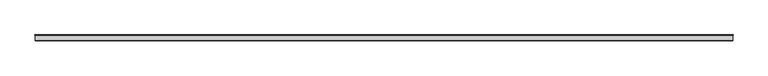
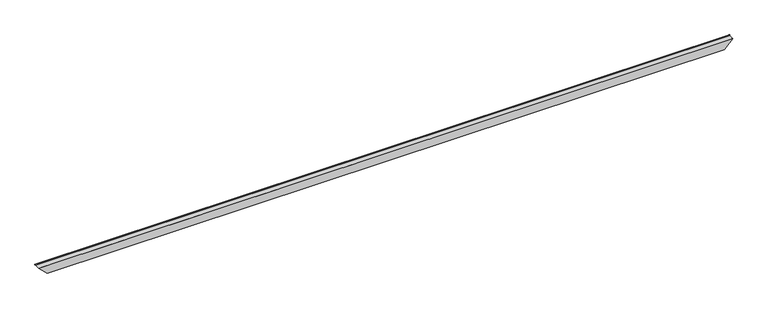
"""IFC4 building model written with IfcOpenShell, lengths in millimetres: proxy geometry."""

from ifc_helpers import new_model, si_unit, frame, origin, place, context, project, spatial, polyline, ellipse_curve, faceted_brep, source, transform, mapped, element, save
from ifc_brep_helpers import plane_surface, cylinder_surface, revolved_surface, advanced_brep


def specialty_equipment_1b77890a(model_context):
    return source(origin(), model_context, "Body", "SolidModel", [
        advanced_brep(
        [(12926.6991105, 84.2845729, 38.6991105), (12927.1343073, 83.3664989, 39.1343073), (-39.1343073, 83.3664989, 39.1343073), (-38.6991105, 84.2845729, 38.6991105), (12934.1314568, 86.6833746, 46.1314568), (-46.1314568, 86.6833746, 46.1314568), (12935.1962023, 84.8585816, 47.1962023), (-47.1962023, 84.8585816, 47.1962023), (12927.6706822, 77.3330614, 39.6706822), (-39.6706822, 77.3330614, 39.6706822), (12927.6706822, 0.508, 39.6706822), (-39.6706822, 0.508, 39.6706822), (12927.1626822, 0.0, 39.1626822), (-39.1626822, 0.0, 39.1626822), (12770.0062858, 0.0, -117.9937142), (117.9937142, 0.0, -117.9937142), (12770.0062858, 77.6452525, -117.9937142), (117.9937142, 77.6452525, -117.9937142), (12762.702363, 84.9491753, -125.297637), (125.297637, 84.9491753, -125.297637), (12764.4980144, 86.4483719, -123.5019856), (123.5019856, 86.4483719, -123.5019856), (12769.2287, 84.7304835, -118.7713), (118.7713, 84.7304835, -118.7713), (12769.57549, 85.6854666, -118.42451), (118.42451, 85.6854666, -118.42451), (12764.8674586, 87.3951284, -123.1325414), (123.1325414, 87.3951284, -123.1325414), (12761.8081526, 84.4065446, -126.1918474), (126.1918474, 84.4065446, -126.1918474), (12768.9902858, 77.2244115, -119.0097142), (119.0097142, 77.2244115, -119.0097142), (12768.9902858, -25.5276818, -119.0097142), (119.0097142, -25.5276818, -119.0097142), (12927.6706822, -25.5276818, 39.6706822), (-39.6706822, -25.5276818, 39.6706822), (12928.6866822, -24.5116818, 40.6866822), (-40.6866822, -24.5116818, 40.6866822), (12928.6866822, 76.9122205, 40.6866822), (-40.6866822, 76.9122205, 40.6866822), (12935.9893811, 84.2236616, 47.9893811), (-47.9893811, 84.2236616, 47.9893811), (12933.9689732, 87.6862978, 45.9689732), (-45.9689732, 87.6862978, 45.9689732)],
        [
            (0, 1),
            (1, 2),
            (2, 3),
            (3, 0),
            (1, 4),
            (4, 5),
            (5, 2),
            (4, 6, ellipse_curve(frame((12934.312487, 85.5659738, 46.312487), z_axis=(0.7071067811865507, 0.0, -0.7071067811865445), x_axis=(0.7071067811865442, 0.0, 0.7071067811865507)), 1.6008476, 1.1319702)),
            (6, 7),
            (7, 5, ellipse_curve(frame((-46.312487, 85.5659738, 46.312487), z_axis=(-0.7071067811865492, 0.0, -0.7071067811865458), x_axis=(0.7071067811865458, 0.0, -0.7071067811865492)), 1.6008476, 1.1319702)),
            (6, 8),
            (8, 9),
            (9, 7),
            (8, 10),
            (10, 11),
            (11, 9),
            (10, 12, ellipse_curve(frame((12927.1626822, 0.508, 39.1626822), z_axis=(0.7071067811865507, 0.0, -0.7071067811865445), x_axis=(0.7071067811865442, 0.0, 0.7071067811865507)), 0.7184205, 0.508)),
            (12, 13),
            (13, 11, ellipse_curve(frame((-39.1626822, 0.508, 39.1626822), z_axis=(-0.7071067811865492, 0.0, -0.7071067811865458), x_axis=(0.7071067811865458, 0.0, -0.7071067811865492)), 0.7184205, 0.508)),
            (12, 14),
            (14, 15),
            (15, 13),
            (14, 16),
            (16, 17),
            (17, 15),
            (16, 18),
            (18, 19),
            (19, 17),
            (18, 20, ellipse_curve(frame((12763.9823685, 85.2410207, -124.0176315), z_axis=(0.7071067811865507, 0.0, -0.7071067811865445), x_axis=(0.7071067811865442, 0.0, 0.7071067811865507)), 1.8566571, 1.3128548)),
            (20, 21),
            (21, 19, ellipse_curve(frame((124.0176315, 85.2410207, -124.0176315), z_axis=(-0.7071067811865492, 0.0, -0.7071067811865458), x_axis=(0.7071067811865458, 0.0, -0.7071067811865492)), 1.8566571, 1.3128548)),
            (20, 22),
            (22, 23),
            (23, 21),
            (22, 24),
            (24, 25),
            (25, 23),
            (24, 26),
            (26, 27),
            (27, 25),
            (26, 28, ellipse_curve(frame((12763.9823685, 85.2410207, -124.0176315), z_axis=(-0.7071067811865507, 0.0, 0.7071067811865445), x_axis=(-0.7071067811865442, 0.0, -0.7071067811865507)), 3.2934981, 2.3288548)),
            (28, 29),
            (29, 27, ellipse_curve(frame((124.0176315, 85.2410207, -124.0176315), z_axis=(0.7071067811865492, 0.0, 0.7071067811865458), x_axis=(-0.7071067811865458, 0.0, 0.7071067811865492)), 3.2934981, 2.3288548)),
            (28, 30),
            (30, 31),
            (31, 29),
            (30, 32),
            (32, 33),
            (33, 31),
            (32, 34),
            (34, 35),
            (35, 33),
            (34, 36, ellipse_curve(frame((12927.6706822, -24.5116818, 39.6706822), z_axis=(-0.7071067811865507, 0.0, 0.7071067811865445), x_axis=(-0.7071067811865442, 0.0, -0.7071067811865507)), 1.436841, 1.016)),
            (36, 37),
            (37, 35, ellipse_curve(frame((-39.6706822, -24.5116818, 39.6706822), z_axis=(0.7071067811865492, 0.0, 0.7071067811865458), x_axis=(-0.7071067811865458, 0.0, 0.7071067811865492)), 1.436841, 1.016)),
            (36, 38),
            (38, 39),
            (39, 37),
            (38, 40),
            (40, 41),
            (41, 39),
            (40, 42, ellipse_curve(frame((12934.312487, 85.5659738, 46.312487), z_axis=(-0.7071067811865507, 0.0, 0.7071067811865445), x_axis=(-0.7071067811865442, 0.0, -0.7071067811865507)), 3.0376885, 2.1479702)),
            (42, 43),
            (43, 41, ellipse_curve(frame((-46.312487, 85.5659738, 46.312487), z_axis=(0.7071067811865492, 0.0, 0.7071067811865458), x_axis=(-0.7071067811865458, 0.0, 0.7071067811865492)), 3.0376885, 2.1479702)),
            (42, 0),
            (3, 43),
        ],
        [
            plane_surface(frame((-48.5394, 84.2845729, 38.6991105), z_axis=(0.0, -0.4283433055538029, -0.9036160758791543), x_axis=(1.0, 0.0, 0.0))),
            plane_surface(frame((-48.5394, 83.3664989, 39.1343073), z_axis=(0.0, -0.903616075879165, 0.42834330555378025), x_axis=(1.0, 0.0, 0.0))),
            revolved_surface(polyline([(12935.444457193606, 86.69794399999999, 46.312487), (-47.444457193606205, 86.69794399999999, 46.312487)]), (-48.5394, 85.5659738, 46.312487), (1.0, 0.0, 0.0)),
            plane_surface(frame((-48.5394, 84.8585816, 47.1962023), z_axis=(0.0, 0.7071067811866334, -0.7071067811864616), x_axis=(1.0, 0.0, 0.0))),
            plane_surface(frame((-48.5394, 77.3330614, 39.6706822), z_axis=(0.0, 0.0, -1.0), x_axis=(1.0, 0.0, 0.0))),
            revolved_surface(polyline([(12927.670682207294, 1.016, 39.1626822), (-39.670682207293424, 1.016, 39.1626822)]), (-48.5394, 0.508, 39.1626822), (1.0, 0.0, 0.0)),
            plane_surface(frame((-48.5394, 0.0, 39.1626822), z_axis=(0.0, 1.0, 0.0), x_axis=(1.0, 0.0, 0.0))),
            plane_surface(frame((-48.5394, 0.0, -117.9937142), z_axis=(0.0, 0.0, 1.0), x_axis=(1.0, 0.0, 0.0))),
            plane_surface(frame((-48.5394, 77.6452525, -117.9937142), z_axis=(0.0, 0.7071067811871127, 0.7071067811859825), x_axis=(1.0, 0.0, 0.0))),
            revolved_surface(polyline([(12765.295223325747, 86.5538755, -124.0176315), (122.70477667425186, 86.5538755, -124.0176315)]), (-48.5394, 85.2410207, -124.0176315), (1.0, 0.0, 0.0)),
            plane_surface(frame((-48.5394, 86.4483719, -123.5019856), z_axis=(0.0, -0.939943989592991, -0.3413287219499869), x_axis=(1.0, 0.0, 0.0))),
            plane_surface(frame((-48.5394, 84.7304835, -118.7713), z_axis=(0.0, -0.34132872194998415, 0.939943989592992), x_axis=(1.0, 0.0, 0.0))),
            plane_surface(frame((-48.5394, 85.6854666, -118.42451), z_axis=(0.0, 0.9399439895929913, 0.3413287219499861), x_axis=(1.0, 0.0, 0.0))),
            cylinder_surface(frame((-48.5394, 85.2410207, -124.0176315), z_axis=(-1.0, 0.0, 0.0), x_axis=(0.0, 1.0, 0.0)), 2.3288548),
            plane_surface(frame((-48.5394, 84.4065446, -126.1918474), z_axis=(0.0, -0.7071067811872073, -0.7071067811858879), x_axis=(1.0, 0.0, 0.0))),
            plane_surface(frame((-48.5394, 77.2244115, -119.0097142), z_axis=(0.0, 0.0, -1.0), x_axis=(1.0, 0.0, 0.0))),
            plane_surface(frame((-48.5394, -25.5276818, -119.0097142), z_axis=(0.0, -1.0, 0.0), x_axis=(1.0, 0.0, 0.0))),
            cylinder_surface(frame((-48.5394, -24.5116818, 39.6706822), z_axis=(-1.0, 0.0, 0.0), x_axis=(0.0, 1.0, 0.0)), 1.016),
            plane_surface(frame((-48.5394, -24.5116818, 40.6866822), z_axis=(0.0, 0.0, 1.0), x_axis=(1.0, 0.0, 0.0))),
            plane_surface(frame((-48.5394, 76.9122205, 40.6866822), z_axis=(0.0, -0.7066836626193927, 0.7075296467193727), x_axis=(1.0, 0.0, 0.0))),
            cylinder_surface(frame((-48.5394, 85.5659738, 46.312487), z_axis=(-1.0, 0.0, 0.0), x_axis=(0.0, 1.0, 0.0)), 2.1479702),
            plane_surface(frame((-48.5394, 87.6862978, 45.9689732), z_axis=(0.0, 0.9057471191013545, -0.42381854164205324), x_axis=(1.0, 0.0, 0.0))),
            plane_surface(frame((12936.5394, -67.4899439, 48.5394), z_axis=(0.7071067811865507, 0.0, -0.7071067811865445), x_axis=(0.0, 1.0, 0.0))),
            plane_surface(frame((126.4137994, -67.4899439, -126.4137994), z_axis=(-0.7071067811865492, 0.0, -0.7071067811865458), x_axis=(0.0, 1.0, 0.0))),
        ],
        [
            (0, [[1, 2, 3, 4]]),
            (1, [[5, 6, 7, -2]]),
            (2, [[8, 9, 10, -6]]),
            (3, [[11, 12, 13, -9]]),
            (4, [[14, 15, 16, -12]]),
            (5, [[17, 18, 19, -15]]),
            (6, [[20, 21, 22, -18]]),
            (7, [[23, 24, 25, -21]]),
            (8, [[26, 27, 28, -24]]),
            (9, [[29, 30, 31, -27]]),
            (10, [[32, 33, 34, -30]]),
            (11, [[35, 36, 37, -33]]),
            (12, [[38, 39, 40, -36]]),
            (13, [[41, 42, 43, -39]]),
            (14, [[44, 45, 46, -42]]),
            (15, [[47, 48, 49, -45]]),
            (16, [[50, 51, 52, -48]]),
            (17, [[53, 54, 55, -51]]),
            (18, [[56, 57, 58, -54]]),
            (19, [[59, 60, 61, -57]]),
            (20, [[62, 63, 64, -60]]),
            (21, [[65, -4, 66, -63]]),
            (22, [[-1, -65, -62, -59, -56, -53, -50, -47, -44, -41, -38, -35, -32, -29, -26, -23, -20, -17, -14, -11, -8, -5]]),
            (23, [[-3, -7, -10, -13, -16, -19, -22, -25, -28, -31, -34, -37, -40, -43, -46, -49, -52, -55, -58, -61, -64, -66]]),
        ],
    ),
        faceted_brep([(12920.611715, 20.9756339, 32.611715), (12920.611715, 3.96875, 32.611715), (-32.611715, 3.96875, 32.611715), (-32.611715, 20.9756339, 32.611715), (12895.7597004, 3.96875, 7.7597004), (-7.7597004, 3.96875, 7.7597004), (12895.7597004, 40.03675, 7.7597004), (-7.7597004, 40.03675, 7.7597004), (12893.7277005, 40.03675, 5.7277005), (-5.7277005, 40.03675, 5.7277005), (12893.7277005, 1.9367501, 5.7277005), (-5.7277005, 1.9367501, 5.7277005), (12922.6202, 1.9367501, 34.6202), (-34.6202, 1.9367501, 34.6202), (12922.6202, 20.9756339, 34.6202), (-34.6202, 20.9756339, 34.6202)], [[[0, 1, 2, 3]], [[1, 4, 5, 2]], [[4, 6, 7, 5]], [[6, 8, 9, 7]], [[8, 10, 11, 9]], [[10, 12, 13, 11]], [[12, 14, 15, 13]], [[14, 0, 3, 15]], [[1, 0, 14, 12, 10, 8, 6, 4]], [[3, 2, 5, 7, 9, 11, 13, 15]]]),
    ])


if __name__ == "__main__":
    model = new_model("IFC4")
    model_context = context("Model", 3, world=origin())
    ifc_project = project(units=[si_unit("LENGTHUNIT", "METRE", prefix="MILLI")], contexts=[model_context])
    site = spatial("IfcSite", under=ifc_project)
    building = spatial("IfcBuilding", under=site)
    placement = place(None, origin())
    specialty_equipment_shape = specialty_equipment_1b77890a(model_context)
    element("IfcBuildingElementProxy", 1, Name="Specialty Equipment", at=placement, inside=building, context=model_context, shape_type="MappedRepresentation", body=[
        mapped(specialty_equipment_shape, transform((0.0, 0.0, 0.0), x_axis=(1.0, 0.0, 0.0), y_axis=(0.0, 1.0, 0.0), z_axis=(0.0, 0.0, 1.0))),
    ])
    save(model, "model.ifc")
